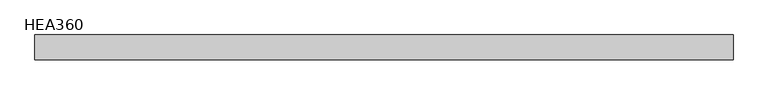
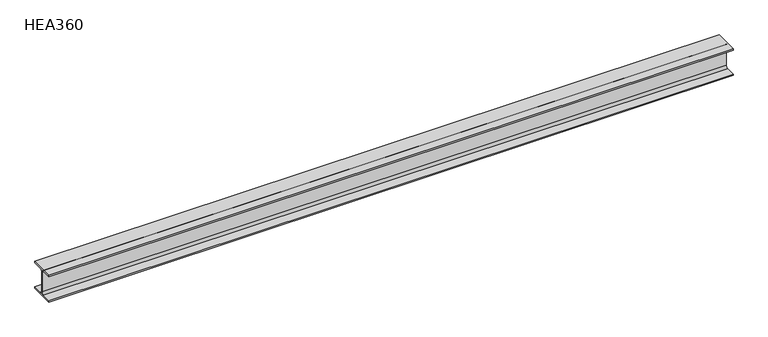
"""IFC4 building model written with IfcOpenShell, lengths in millimetres: beam geometry, HEA360."""

from ifc_helpers import new_model, si_unit, point, frame, frame_2d, origin, place, context, project, spatial, polyline, circle_curve, trimmed, segment, composite_curve, outline, extrude, source, transform, mapped, element, save


def hea360_97f0e784(model_context):
    return source(origin(), model_context, "Body", "SweptSolid", [
        extrude(outline(composite_curve([segment(polyline([(-150.0, -157.5), (-32.0, -157.5)]), True, "CONTINUOUS"), segment(trimmed(circle_curve(frame_2d((-32.0, -130.5)), 27.0), [point((-32.0, -157.5))], [point((-5.0, -130.5))], True, "CARTESIAN"), True, "CONTINUOUS"), segment(polyline([(-5.0, -130.5), (-5.0, 130.5)]), True, "CONTINUOUS"), segment(trimmed(circle_curve(frame_2d((-32.0, 130.5)), 27.0), [point((-5.0, 130.5))], [point((-32.0, 157.5))], True, "CARTESIAN"), True, "CONTINUOUS"), segment(polyline([(-32.0, 157.5), (-150.0, 157.5), (-150.0, 175.0), (150.0, 175.0), (150.0, 157.5), (32.0, 157.5)]), True, "CONTINUOUS"), segment(trimmed(circle_curve(frame_2d((32.0, 130.5)), 27.0), [point((32.0, 157.5))], [point((5.0, 130.5))], True, "CARTESIAN"), True, "CONTINUOUS"), segment(polyline([(5.0, 130.5), (5.0, -130.5)]), True, "CONTINUOUS"), segment(trimmed(circle_curve(frame_2d((32.0, -130.5)), 27.0), [point((5.0, -130.5))], [point((32.0, -157.5))], True, "CARTESIAN"), True, "CONTINUOUS"), segment(polyline([(32.0, -157.5), (150.0, -157.5), (150.0, -175.0), (-150.0, -175.0), (-150.0, -157.5)]), True, "CONTINUOUS")], self_intersect=False)), frame((-4242.2, 0.0, 0.0), z_axis=(1.0, 0.0, 0.0), x_axis=(0.0, 1.0, 0.0)), (0.0, 0.0, 1.0), 8484.5),
    ])


if __name__ == "__main__":
    model = new_model("IFC4")
    model_context = context("Model", 3, world=origin())
    ifc_project = project(units=[si_unit("LENGTHUNIT", "METRE", prefix="MILLI")], contexts=[model_context])
    site = spatial("IfcSite", under=ifc_project)
    building = spatial("IfcBuilding", under=site)
    placement = place(None, origin())
    hea360_shape = hea360_97f0e784(model_context)
    element("IfcBeam", 1, ObjectType="HEA360", at=placement, inside=building, context=model_context, shape_type="MappedRepresentation", body=[
        mapped(hea360_shape, transform((0.0, 0.0, 0.0), x_axis=(1.0, 0.0, 0.0), y_axis=(0.0, 1.0, 0.0), z_axis=(0.0, 0.0, 1.0))),
    ])
    save(model, "model.ifc")
